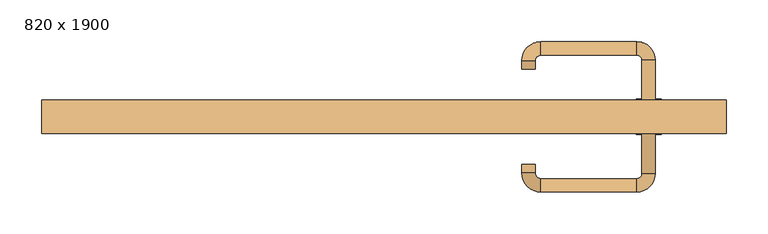
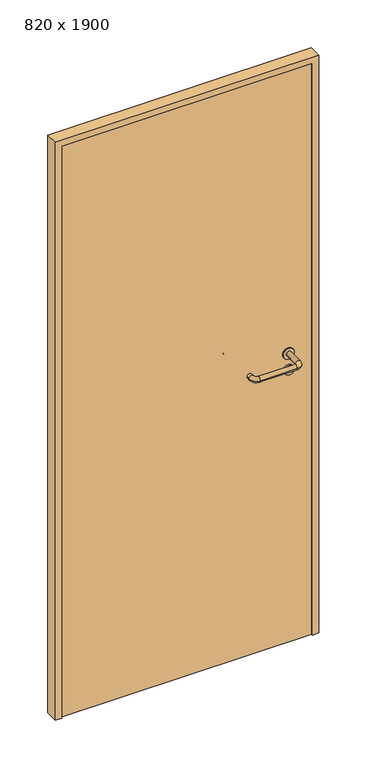
"""IFC4 building model written with IfcOpenShell, lengths in millimetres: door geometry, 820 x 1900."""

from ifc_helpers import new_model, si_unit, point, frame, frame_2d, origin, origin_with_axes, place, context, project, spatial, polyline, circle_curve, ellipse_curve, trimmed, segment, composite_curve, outline, extrude, source, transform, mapped, element, save
from ifc_brep_helpers import plane_surface, cylinder_surface, revolved_surface, advanced_brep


def door_820_x_1900_2040ec7e(model_context):
    return source(origin(), model_context, "Body", "SolidModel", [
        extrude(outline(composite_curve([segment(trimmed(circle_curve(frame_2d((897.3605726, 317.0)), 15.0), [point((897.3605726, 332.0))], [point((897.3605726, 302.0))], False, "CARTESIAN"), True, "CONTINUOUS"), segment(trimmed(circle_curve(frame_2d((897.3605726, 317.0)), 15.0), [point((897.3605726, 302.0))], [point((897.3605726, 332.0))], False, "CARTESIAN"), True, "CONTINUOUS")], self_intersect=False), holes=[composite_curve([segment(trimmed(circle_curve(frame_2d((892.5833211, 316.9398032)), 2.0), [point((892.5833211, 318.9398032))], [point((892.5833211, 314.9398032))], True, "CARTESIAN"), True, "CONTINUOUS"), segment(polyline([(892.5833211, 314.9398032), (902.5833211, 314.9398032)]), True, "CONTINUOUS"), segment(trimmed(circle_curve(frame_2d((902.5833211, 316.9398032)), 2.0), [point((902.5833211, 314.9398032))], [point((902.5833211, 318.9398032))], True, "CARTESIAN"), True, "CONTINUOUS"), segment(polyline([(902.5833211, 318.9398032), (892.5833211, 318.9398032)]), True, "CONTINUOUS")], self_intersect=False)]), frame((0.0, -16.35, 0.0), z_axis=(0.0, 1.0, 0.0), x_axis=(0.0, 0.0, 1.0)), (0.0, 0.0, 1.0), 6.35),
        extrude(outline(composite_curve([segment(trimmed(circle_curve(frame_2d((950.0, 317.0)), 17.526), [point((950.0, 334.526))], [point((950.0, 299.474))], False, "CARTESIAN"), True, "CONTINUOUS"), segment(trimmed(circle_curve(frame_2d((950.0, 317.0)), 17.526), [point((950.0, 299.474))], [point((950.0, 334.526))], False, "CARTESIAN"), True, "CONTINUOUS")], self_intersect=False)), frame((0.0, -13.175, 0.0), z_axis=(0.0, 1.0, 0.0), x_axis=(0.0, 0.0, 1.0)), (0.0, 0.0, 1.0), 3.175),
        advanced_brep(
        [(325.0, -10.0, 950.0), (309.0, -10.0, 950.0), (309.0, -63.0, 950.0), (325.0, -63.0, 950.0), (302.8578644, -69.1421356, 950.0), (302.8578644, -85.1421356, 950.0), (187.8578644, -69.1421356, 950.0), (187.8578644, -85.1421356, 950.0), (181.008622, -62.2928932, 950.0), (165.008622, -62.2928932, 950.0), (165.008622, -52.2928932, 950.0), (181.008622, -52.2928932, 950.0)],
        [
            (0, 1, circle_curve(frame((317.0, -10.0, 950.0), z_axis=(0.0, 1.0, 0.0), x_axis=(-1.0, 0.0, 0.0)), 8.0)),
            (1, 0, circle_curve(frame((317.0, -10.0, 950.0), z_axis=(0.0, 1.0, 0.0), x_axis=(-1.0, 0.0, 0.0)), 8.0)),
            (1, 2),
            (2, 3, circle_curve(frame((317.0, -63.0, 950.0), z_axis=(0.0, 1.0, 0.0), x_axis=(-1.0, 0.0, 0.0)), 8.0)),
            (3, 0),
            (3, 2, circle_curve(frame((317.0, -63.0, 950.0), z_axis=(0.0, 1.0, 0.0), x_axis=(-1.0, 0.0, 0.0)), 8.0)),
            (4, 5, circle_curve(frame((302.8578644, -77.1421356, 950.0), z_axis=(1.0, 0.0, 0.0), x_axis=(0.0, 1.0, 0.0)), 8.0)),
            (5, 3, circle_curve(frame((302.8578644, -63.0, 950.0), z_axis=(0.0, 0.0, 1.0), x_axis=(1.0, 0.0, 0.0)), 22.1421356)),
            (2, 4, circle_curve(frame((302.8578644, -63.0, 950.0), z_axis=(0.0, 0.0, -1.0), x_axis=(1.0, 0.0, 0.0)), 6.1421356)),
            (5, 4, circle_curve(frame((302.8578644, -77.1421356, 950.0), z_axis=(1.0, 0.0, 0.0), x_axis=(0.0, 1.0, 0.0)), 8.0)),
            (4, 6),
            (6, 7, circle_curve(frame((187.8578644, -77.1421356, 950.0), z_axis=(1.0, 0.0, 0.0), x_axis=(0.0, 1.0, 0.0)), 8.0)),
            (7, 5),
            (7, 6, circle_curve(frame((187.8578644, -77.1421356, 950.0), z_axis=(1.0, 0.0, 0.0), x_axis=(0.0, 1.0, 0.0)), 8.0)),
            (8, 9, circle_curve(frame((173.008622, -62.2928932, 950.0), z_axis=(0.0, -1.0, 0.0), x_axis=(1.0, 0.0, 0.0)), 8.0)),
            (9, 7, circle_curve(frame((187.8578644, -62.2928932, 950.0), z_axis=(0.0, 0.0, 1.0), x_axis=(0.0, -1.0, 0.0)), 22.8492424)),
            (6, 8, circle_curve(frame((187.8578644, -62.2928932, 950.0), z_axis=(0.0, 0.0, -1.0), x_axis=(0.0, -1.0, 0.0)), 6.8492424)),
            (9, 8, circle_curve(frame((173.008622, -62.2928932, 950.0), z_axis=(0.0, -1.0, 0.0), x_axis=(1.0, 0.0, 0.0)), 8.0)),
            (10, 11, circle_curve(frame((173.008622, -52.2928932, 950.0), z_axis=(0.0, 1.0, 0.0), x_axis=(1.0, 0.0, 0.0)), 8.0)),
            (11, 10, circle_curve(frame((173.008622, -52.2928932, 950.0), z_axis=(0.0, 1.0, 0.0), x_axis=(1.0, 0.0, 0.0)), 8.0)),
            (8, 11),
            (10, 9),
        ],
        [
            plane_surface(frame((317.0, -10.0, 0.0), z_axis=(0.0, 1.0, 0.0), x_axis=(0.0, 0.0, 1.0))),
            cylinder_surface(frame((317.0, -10.0, 950.0), z_axis=(0.0, 1.0, 0.0), x_axis=(-1.0, 0.0, 0.0)), 8.0),
            revolved_surface(trimmed(ellipse_curve(frame((317.0, -63.0, 950.0), z_axis=(0.0, -1.0, 0.0), x_axis=(-1.0, 0.0, 0.0)), 8.0, 8.0), [point((325.0, -63.0, 950.0))], [point((309.0, -63.0, 950.0))], True, "CARTESIAN"), (302.8578644, -63.0, 0.0), (0.0, 0.0, 1.0)),
            revolved_surface(trimmed(ellipse_curve(frame((317.0, -63.0, 950.0), z_axis=(0.0, -1.0, 0.0), x_axis=(-1.0, 0.0, 0.0)), 8.0, 8.0), [point((309.0, -63.0, 950.0))], [point((325.0, -63.0, 950.0))], True, "CARTESIAN"), (302.8578644, -63.0, 0.0), (0.0, 0.0, 1.0)),
            cylinder_surface(frame((302.8578644, -77.1421356, 950.0), z_axis=(1.0, 0.0, 0.0), x_axis=(0.0, 1.0, 0.0)), 8.0),
            revolved_surface(trimmed(ellipse_curve(frame((187.8578644, -77.1421356, 950.0), z_axis=(-1.0, 0.0, 0.0), x_axis=(0.0, 1.0, 0.0)), 8.0, 8.0), [point((187.8578644, -85.1421356, 950.0))], [point((187.8578644, -69.1421356, 950.0))], True, "CARTESIAN"), (187.8578644, -62.2928932, 0.0), (0.0, 0.0, 1.0)),
            revolved_surface(trimmed(ellipse_curve(frame((187.8578644, -77.1421356, 950.0), z_axis=(-1.0, 0.0, 0.0), x_axis=(0.0, 1.0, 0.0)), 8.0, 8.0), [point((187.8578644, -69.1421356, 950.0))], [point((187.8578644, -85.1421356, 950.0))], True, "CARTESIAN"), (187.8578644, -62.2928932, 0.0), (0.0, 0.0, 1.0)),
            plane_surface(frame((173.008622, -52.2928932, 0.0), z_axis=(0.0, 1.0, 0.0), x_axis=(0.0, 0.0, 1.0))),
            cylinder_surface(frame((173.008622, -62.2928932, 950.0), z_axis=(0.0, -1.0, 0.0), x_axis=(1.0, 0.0, 0.0)), 8.0),
        ],
        [
            (0, [[1, 2]]),
            (1, [[3, 4, 5, -2]]),
            (1, [[-5, 6, -3, -1]]),
            (2, [[7, 8, -4, 9]]),
            (3, [[10, -9, -6, -8]]),
            (4, [[11, 12, 13, -7]]),
            (4, [[-13, 14, -11, -10]]),
            (5, [[15, 16, -12, 17]]),
            (6, [[18, -17, -14, -16]]),
            (7, [[19, 20]]),
            (8, [[21, -19, 22, -15]]),
            (8, [[-22, -20, -21, -18]]),
        ],
    ),
        extrude(outline(composite_curve([segment(trimmed(circle_curve(frame_2d((0.0, -15.0)), 15.0), [point((0.0, -30.0))], [point((0.0, 0.0))], False, "CARTESIAN"), True, "CONTINUOUS"), segment(trimmed(circle_curve(frame_2d((0.0, -15.0)), 15.0), [point((0.0, 0.0))], [point((0.0, -30.0))], False, "CARTESIAN"), True, "CONTINUOUS")], self_intersect=False), holes=[composite_curve([segment(trimmed(circle_curve(frame_2d((4.7772515, -14.9398032)), 2.0), [point((4.7772515, -16.9398032))], [point((4.7772515, -12.9398032))], True, "CARTESIAN"), True, "CONTINUOUS"), segment(polyline([(4.7772515, -12.9398032), (-5.2227485, -12.9398032)]), True, "CONTINUOUS"), segment(trimmed(circle_curve(frame_2d((-5.2227485, -14.9398032)), 2.0), [point((-5.2227485, -12.9398032))], [point((-5.2227485, -16.9398032))], True, "CARTESIAN"), True, "CONTINUOUS"), segment(polyline([(-5.2227485, -16.9398032), (4.7772515, -16.9398032)]), True, "CONTINUOUS")], self_intersect=False)]), frame((302.0, 20.0, 897.3605726), z_axis=(1.8870575173328306e-12, 1.0, 0.0), x_axis=(0.0, 0.0, -1.0)), (0.0, 0.0, 1.0), 6.35),
        extrude(outline(composite_curve([segment(trimmed(circle_curve(frame_2d((0.0, -17.526)), 17.526), [point((0.0, -35.052))], [point((0.0, 0.0))], False, "CARTESIAN"), True, "CONTINUOUS"), segment(trimmed(circle_curve(frame_2d((0.0, -17.526)), 17.526), [point((0.0, 0.0))], [point((0.0, -35.052))], False, "CARTESIAN"), True, "CONTINUOUS")], self_intersect=False)), frame((299.474, 20.0, 950.0), z_axis=(1.8870575173328306e-12, 1.0, 0.0), x_axis=(0.0, 0.0, -1.0)), (0.0, 0.0, 1.0), 3.175),
        advanced_brep(
        [(325.0, 20.0, 950.0), (309.0, 20.0, 950.0), (325.0, 73.0, 950.0), (309.0, 73.0, 950.0), (302.8578644, 79.1421356, 950.0), (302.8578644, 95.1421356, 950.0), (187.8578644, 95.1421356, 950.0), (187.8578644, 79.1421356, 950.0), (181.008622, 72.2928932, 950.0), (165.008622, 72.2928932, 950.0), (165.008622, 62.2928932, 950.0), (181.008622, 62.2928932, 950.0)],
        [
            (0, 1, circle_curve(frame((317.0, 20.0, 950.0), z_axis=(-1.888672253512351e-12, -1.0, 0.0), x_axis=(-1.0, 1.888672253512351e-12, 0.0)), 8.0)),
            (1, 0, circle_curve(frame((317.0, 20.0, 950.0), z_axis=(-1.888672253512351e-12, -1.0, 0.0), x_axis=(-1.0, 1.888672253512351e-12, 0.0)), 8.0)),
            (0, 2),
            (2, 3, circle_curve(frame((317.0, 73.0, 950.0), z_axis=(-1.888672253512351e-12, -1.0, 0.0), x_axis=(-1.0, 1.888672253512351e-12, 0.0)), 8.0)),
            (3, 1),
            (3, 2, circle_curve(frame((317.0, 73.0, 950.0), z_axis=(-1.888672253512351e-12, -1.0, 0.0), x_axis=(-1.0, 1.888672253512351e-12, 0.0)), 8.0)),
            (4, 3, circle_curve(frame((302.8578644, 73.0, 950.0), z_axis=(0.0, 0.0, -1.0), x_axis=(1.0, -1.880717803715015e-12, 0.0)), 6.1421356)),
            (2, 5, circle_curve(frame((302.8578644, 73.0, 950.0), z_axis=(0.0, 0.0, 1.0), x_axis=(1.0, -1.880717803715015e-12, 0.0)), 22.1421356)),
            (5, 4, circle_curve(frame((302.8578644, 87.1421356, 950.0), z_axis=(1.0, -1.913702061528922e-12, 0.0), x_axis=(-1.913702061528922e-12, -1.0, 0.0)), 8.0)),
            (4, 5, circle_curve(frame((302.8578644, 87.1421356, 950.0), z_axis=(1.0, -1.913702061528922e-12, 0.0), x_axis=(-1.913702061528922e-12, -1.0, 0.0)), 8.0)),
            (5, 6),
            (6, 7, circle_curve(frame((187.8578644, 87.1421356, 950.0), z_axis=(1.0, -1.913719828541269e-12, 0.0), x_axis=(-1.913719828541269e-12, -1.0, 0.0)), 8.0)),
            (7, 4),
            (7, 6, circle_curve(frame((187.8578644, 87.1421356, 950.0), z_axis=(1.0, -1.913719828541269e-12, 0.0), x_axis=(-1.913719828541269e-12, -1.0, 0.0)), 8.0)),
            (8, 7, circle_curve(frame((187.8578644, 72.2928932, 950.0), z_axis=(0.0, 0.0, -1.0), x_axis=(1.9120873253494017e-12, 1.0, 0.0)), 6.8492424)),
            (6, 9, circle_curve(frame((187.8578644, 72.2928932, 950.0), z_axis=(0.0, 0.0, 1.0), x_axis=(1.9120873253494017e-12, 1.0, 0.0)), 22.8492424)),
            (9, 8, circle_curve(frame((173.008622, 72.2928932, 950.0), z_axis=(1.890448610351751e-12, 1.0, 0.0), x_axis=(1.0, -1.890448610351751e-12, 0.0)), 8.0)),
            (8, 9, circle_curve(frame((173.008622, 72.2928932, 950.0), z_axis=(1.8888942981172756e-12, 1.0, 0.0), x_axis=(1.0, -1.8888942981172756e-12, 0.0)), 8.0)),
            (10, 11, circle_curve(frame((173.008622, 62.2928932, 950.0), z_axis=(-1.8903642334018795e-12, -1.0, 0.0), x_axis=(1.0, -1.8903642334018795e-12, 0.0)), 8.0)),
            (11, 10, circle_curve(frame((173.008622, 62.2928932, 950.0), z_axis=(-1.8903642334018795e-12, -1.0, 0.0), x_axis=(1.0, -1.8903642334018795e-12, 0.0)), 8.0)),
            (9, 10),
            (11, 8),
        ],
        [
            plane_surface(frame((317.0, 20.0, 0.0), z_axis=(-1.8870575173328306e-12, -1.0, 0.0), x_axis=(0.0, 0.0, 1.0))),
            cylinder_surface(frame((317.0, 20.0, 950.0), z_axis=(-1.888672253512351e-12, -1.0, 0.0), x_axis=(-1.0, 1.888672253512351e-12, 0.0)), 8.0),
            revolved_surface(trimmed(ellipse_curve(frame((317.0, 73.0, 950.0), z_axis=(-1.8823325398945356e-12, -1.0, 0.0), x_axis=(-1.0, 1.8823325398945356e-12, 0.0)), 8.0, 8.0), [point((325.0, 73.0, 950.0))], [point((309.0, 73.0, 950.0))], True, "CARTESIAN"), (302.8578644, 73.0, 0.0), (0.0, 0.0, 1.0)),
            revolved_surface(trimmed(ellipse_curve(frame((317.0, 73.0, 950.0), z_axis=(-1.8823325398945356e-12, -1.0, 0.0), x_axis=(-1.0, 1.8823325398945356e-12, 0.0)), 8.0, 8.0), [point((309.0, 73.0, 950.0))], [point((325.0, 73.0, 950.0))], True, "CARTESIAN"), (302.8578644, 73.0, 0.0), (0.0, 0.0, 1.0)),
            cylinder_surface(frame((302.8578644, 87.1421356, 950.0), z_axis=(1.0, -1.913719828541269e-12, 0.0), x_axis=(-1.913719828541269e-12, -1.0, 0.0)), 8.0),
            revolved_surface(trimmed(ellipse_curve(frame((187.8578644, 87.1421356, 950.0), z_axis=(1.0, -1.913702061528922e-12, 0.0), x_axis=(-1.913702061528922e-12, -1.0, 0.0)), 8.0, 8.0), [point((187.8578644, 95.1421356, 950.0))], [point((187.8578644, 79.1421356, 950.0))], True, "CARTESIAN"), (187.8578644, 72.2928932, 0.0), (0.0, 0.0, 1.0)),
            revolved_surface(trimmed(ellipse_curve(frame((187.8578644, 87.1421356, 950.0), z_axis=(1.0, -1.913702061528922e-12, 0.0), x_axis=(-1.913702061528922e-12, -1.0, 0.0)), 8.0, 8.0), [point((187.8578644, 79.1421356, 950.0))], [point((187.8578644, 95.1421356, 950.0))], True, "CARTESIAN"), (187.8578644, 72.2928932, 0.0), (0.0, 0.0, 1.0)),
            plane_surface(frame((173.008622, 62.2928932, 0.0), z_axis=(-1.8887494972223595e-12, -1.0, 0.0), x_axis=(0.0, 0.0, 1.0))),
            cylinder_surface(frame((173.008622, 72.2928932, 950.0), z_axis=(1.8903642334018795e-12, 1.0, 0.0), x_axis=(1.0, -1.8903642334018795e-12, 0.0)), 8.0),
        ],
        [
            (0, [[1, 2]]),
            (1, [[-1, 3, 4, 5]]),
            (1, [[-2, -5, 6, -3]]),
            (2, [[7, -4, 8, 9]]),
            (3, [[-8, -6, -7, 10]]),
            (4, [[-9, 11, 12, 13]]),
            (4, [[-10, -13, 14, -11]]),
            (5, [[15, -12, 16, 17]]),
            (6, [[-16, -14, -15, 18]]),
            (7, [[19, 20]]),
            (8, [[-17, 21, -20, 22]]),
            (8, [[-18, -22, -19, -21]]),
        ],
    ),
        extrude(outline(polyline([(1880.0, 390.0), (0.0, 390.0), (0.0, 410.0), (1900.0, 410.0), (1900.0, -410.0), (0.0, -410.0), (0.0, -390.0), (1880.0, -390.0), (1880.0, 390.0)])), frame((0.0, -15.0, 0.0), z_axis=(0.0, 1.0, 0.0), x_axis=(0.0, 0.0, 1.0)), (0.0, 0.0, 1.0), 40.0),
        extrude(outline(polyline([(-390.0, 20.0), (390.0, 20.0), (390.0, -10.0), (-390.0, -10.0), (-390.0, 20.0)])), origin_with_axes(), (0.0, 0.0, 1.0), 1880.0),
    ])


if __name__ == "__main__":
    model = new_model("IFC4")
    model_context = context("Model", 3, world=origin())
    ifc_project = project(units=[si_unit("LENGTHUNIT", "METRE", prefix="MILLI")], contexts=[model_context])
    site = spatial("IfcSite", under=ifc_project)
    building = spatial("IfcBuilding", under=site)
    placement = place(None, origin())
    door_820_x_1900_shape = door_820_x_1900_2040ec7e(model_context)
    element("IfcDoor", 1, ObjectType="820 x 1900", at=placement, inside=building, context=model_context, shape_type="MappedRepresentation", body=[
        mapped(door_820_x_1900_shape, transform((0.0, 0.0, 0.0), x_axis=(1.0, 0.0, 0.0), y_axis=(0.0, 1.0, 0.0), z_axis=(0.0, 0.0, 1.0))),
    ])
    save(model, "model.ifc")
